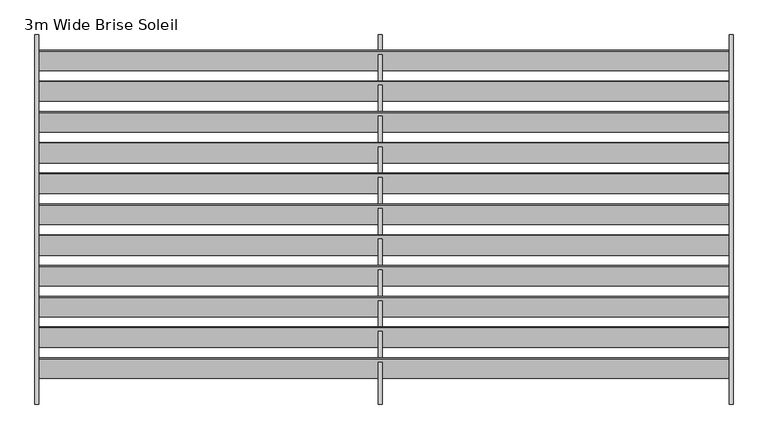
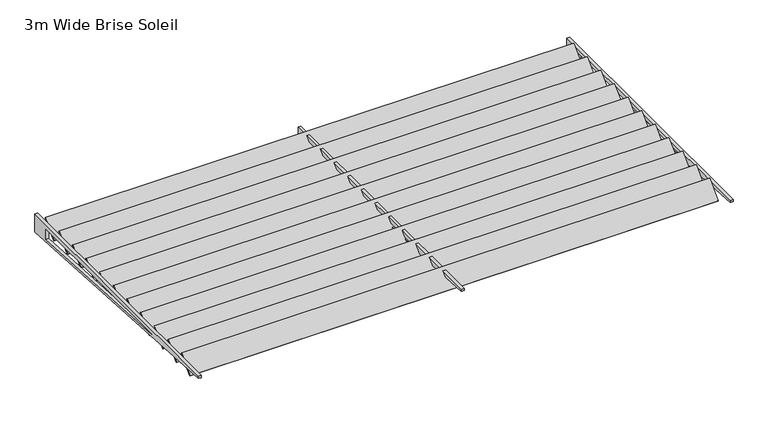
"""IFC4 building model written with IfcOpenShell, lengths in millimetres: railing geometry, 3m Wide Brise Soleil."""

import ifcopenshell
import ifcopenshell.guid

model = None  # the IFC model being written
_history = None  # IfcOwnerHistory: only IFC2X3 demands one
_inside = {}  # id of a spatial element -> (the spatial element, [elements in it])
_under = {}  # id of a project, library or spatial element -> (it, [spatial elements below it])
_declared = {}  # id of a project -> (the project, [libraries it declares])
_typed = {}  # id of a type object -> (the type object, [elements of that type])
_made_of = {}  # id of a material, layer set ... -> (it, [elements and type objects made of it])


def new_model(schema):
    """Start an empty IFC model of exactly this schema.

    Asked for "IFC4X3", IfcOpenShell would pick the latest addendum, in which some entities
    have other attributes; the version numbers below select the first issue.
    IFC2X3 requires an IfcOwnerHistory on every rooted entity: one is made here for all.
    """
    global model, _history
    if schema == "IFC4X3":
        model = ifcopenshell.file(schema_version=(4, 3, 0, 0))
    else:
        model = ifcopenshell.file(schema=schema)
    _inside.clear()
    _under.clear()
    _declared.clear()
    _typed.clear()
    _made_of.clear()
    _history = None
    if model.schema == "IFC2X3":
        org = make("IfcOrganization", Name="unknown")
        user = make(
            "IfcPersonAndOrganization",
            ThePerson=make("IfcPerson", FamilyName="unknown"),
            TheOrganization=org,
        )
        app = make(
            "IfcApplication",
            ApplicationDeveloper=org,
            Version="unknown",
            ApplicationFullName="unknown",
            ApplicationIdentifier="unknown",
        )
        _history = make(
            "IfcOwnerHistory",
            OwningUser=user,
            OwningApplication=app,
            ChangeAction="ADDED",
            CreationDate=0,
        )
    return model


def make(cls, **values):
    """One entity of the class cls with the attributes given. An attribute that is None is left unset."""
    return model.create_entity(
        cls, **{name: value for name, value in values.items() if value is not None}
    )


def rooted(cls, **values):
    """An entity with a GlobalId (a new one), such as an element, a storey or a relation."""
    return make(cls, GlobalId=ifcopenshell.guid.new(), OwnerHistory=_history, **values)


def si_unit(unit_type, name, prefix=None):
    """IfcSIUnit, for example si_unit("LENGTHUNIT", "METRE", prefix="MILLI")."""
    return make("IfcSIUnit", UnitType=unit_type, Prefix=prefix, Name=name)


def assignment(units):
    """IfcUnitAssignment: the units of a project."""
    return None if units is None else make("IfcUnitAssignment", Units=units)


def point(xyz):
    """IfcCartesianPoint."""
    return None if xyz is None else make("IfcCartesianPoint", Coordinates=xyz)


def direction(xyz):
    """IfcDirection."""
    return None if xyz is None else make("IfcDirection", DirectionRatios=xyz)


def frame(location, z_axis=None, x_axis=None):
    """IfcAxis2Placement3D, a coordinate frame: its origin and axes. An axis left out is left unset."""
    return make(
        "IfcAxis2Placement3D",
        Location=point(location),
        Axis=direction(z_axis),
        RefDirection=direction(x_axis),
    )


def origin():
    """The frame at (0, 0, 0) with its axes left unset."""
    return frame((0.0, 0.0, 0.0))


def place(relative_to, where):
    """IfcLocalPlacement: puts the frame where relative to a parent placement (None: the world)."""
    return make(
        "IfcLocalPlacement", PlacementRelTo=relative_to, RelativePlacement=where
    )


def context(
    kind, dimensions, precision=None, world=None, true_north=None, identifier=None
):
    """IfcGeometricRepresentationContext, for example the 3D "Model" context."""
    return make(
        "IfcGeometricRepresentationContext",
        ContextIdentifier=identifier,
        ContextType=kind,
        CoordinateSpaceDimension=dimensions,
        Precision=precision,
        WorldCoordinateSystem=world,
        TrueNorth=true_north,
    )


def project(units=None, contexts=None):
    """IfcProject with its units and contexts."""
    return rooted(
        "IfcProject",
        Name="project",
        RepresentationContexts=contexts,
        UnitsInContext=assignment(units),
    )


def spatial(cls, under=None, at=None, **own):
    """A site, building, storey or space (cls), placed at a placement, below another one or the project."""
    s = rooted(cls, ObjectPlacement=at, **own)
    if under is not None:
        _under.setdefault(under.id(), (under, []))[1].append(s)
    return s


def polyline(points):
    """IfcPolyline through the points."""
    return make("IfcPolyline", Points=[point(p) for p in points])


def outline(outer, holes=None, kind="AREA"):
    """IfcArbitraryClosedProfileDef: a profile drawn as a closed curve; with holes, ...WithVoids."""
    if holes is None:
        return make("IfcArbitraryClosedProfileDef", ProfileType=kind, OuterCurve=outer)
    return make(
        "IfcArbitraryProfileDefWithVoids",
        ProfileType=kind,
        OuterCurve=outer,
        InnerCurves=holes,
    )


def extrude(swept, where, along, depth):
    """IfcExtrudedAreaSolid: the profile swept, set in the frame where, extruded along a direction by depth."""
    return make(
        "IfcExtrudedAreaSolid",
        SweptArea=swept,
        Position=where,
        ExtrudedDirection=direction(along),
        Depth=depth,
    )


def shape(context_of_items, identifier, shape_type, items):
    """IfcShapeRepresentation: the items that make up one representation, for example the "Body"."""
    return make(
        "IfcShapeRepresentation",
        ContextOfItems=context_of_items,
        RepresentationIdentifier=identifier,
        RepresentationType=shape_type,
        Items=items,
    )


def source(mapping_origin, context_of_items, identifier, shape_type, items):
    """IfcRepresentationMap: a shape defined once, which mapped items show again and again."""
    return make(
        "IfcRepresentationMap",
        MappingOrigin=mapping_origin,
        MappedRepresentation=shape(context_of_items, identifier, shape_type, items),
    )


def transform(
    local_origin,
    x_axis=None,
    y_axis=None,
    z_axis=None,
    scale=None,
    scale2=None,
    scale3=None,
    uniform=True,
):
    """IfcCartesianTransformationOperator3D, or its non-uniform kind. x_axis, y_axis, z_axis: its Axis1, 2, 3."""
    if uniform:
        return make(
            "IfcCartesianTransformationOperator3D",
            Axis1=direction(x_axis),
            Axis2=direction(y_axis),
            LocalOrigin=point(local_origin),
            Scale=scale,
            Axis3=direction(z_axis),
        )
    return make(
        "IfcCartesianTransformationOperator3DnonUniform",
        Axis1=direction(x_axis),
        Axis2=direction(y_axis),
        LocalOrigin=point(local_origin),
        Scale=scale,
        Axis3=direction(z_axis),
        Scale2=scale2,
        Scale3=scale3,
    )


def mapped(mapping_source, mapping_target):
    """IfcMappedItem: shows the shape of a source again, moved by a transform."""
    return make(
        "IfcMappedItem", MappingSource=mapping_source, MappingTarget=mapping_target
    )


def made_of(thing, what):
    """Note that an element or type object is made of a material, layer set ...; save() writes the relation."""
    if what is not None:
        _made_of.setdefault(what.id(), (what, []))[1].append(thing)
    return thing


def element(
    cls,
    number,
    at=None,
    inside=None,
    cuts=None,
    type_object=None,
    material=None,
    context=None,
    identifier="Body",
    shape_type=None,
    held_by="IfcProductDefinitionShape",
    body=None,
    shapes=None,
    **own,
):
    """One element of the class cls, such as IfcWall. Its Tag is "e" and its number.

    at: its placement. inside: the storey or other place that contains it. cuts: it is an
    opening in that element (IfcRelVoidsElement). A single representation is given by context,
    identifier, shape_type and body (its items); several are given by shapes. held_by: the class
    of the entity that holds the representations. save() writes the other relations.
    """
    e = rooted(cls, Tag="e%d" % number, ObjectPlacement=at, **own)
    if body is not None:
        shapes = [shape(context, identifier, shape_type, body)]
    if shapes is not None:
        e.Representation = make(held_by, Representations=shapes)
    if inside is not None:
        _inside.setdefault(inside.id(), (inside, []))[1].append(e)
    if cuts is not None:
        rooted(
            "IfcRelVoidsElement", RelatingBuildingElement=cuts, RelatedOpeningElement=e
        )
    if type_object is not None:
        _typed.setdefault(type_object.id(), (type_object, []))[1].append(e)
    return made_of(e, material)


def aggregate(whole, parts):
    """IfcRelAggregates: a whole, such as a stair, and the parts it consists of."""
    return rooted("IfcRelAggregates", RelatingObject=whole, RelatedObjects=parts)


def save(model, path):
    """Write the relations noted so far, then the file.

    IfcRelAggregates (storeys below a building ...), IfcRelContainedInSpatialStructure (elements
    in a storey), IfcRelDefinesByType, IfcRelAssociatesMaterial and IfcRelDeclares: one each for
    every whole, place, type object, material and project.
    """
    for whole, parts in _under.values():
        aggregate(whole, parts)
    for where, things in _inside.values():
        rooted(
            "IfcRelContainedInSpatialStructure",
            RelatedElements=things,
            RelatingStructure=where,
        )
    for kind, things in _typed.values():
        rooted("IfcRelDefinesByType", RelatedObjects=things, RelatingType=kind)
    for what, things in _made_of.values():
        rooted("IfcRelAssociatesMaterial", RelatedObjects=things, RelatingMaterial=what)
    for by, libraries in _declared.values():
        rooted("IfcRelDeclares", RelatingContext=by, RelatedDefinitions=libraries)
    model.write(path)


def railing_3m_wide_brise_soleil_33fbfd34(model_context):
    return source(origin(), model_context, "Body", "SweptSolid", [
        extrude(outline(polyline([(0.0, -10.0), (0.0, 0.0), (5596.1382149, 0.0), (5596.1382149, -10.0), (0.0, -10.0)])), frame((4426.8341559, -31953.9338219, -139.965894), z_axis=(0.0, 0.7071067811931987, 0.7071067811798963), x_axis=(1.0, 0.0, 0.0)), (0.0, 0.0, 1.0), 225.0),
        extrude(outline(polyline([(0.0, -10.0), (0.0, 0.0), (5596.1382149, 0.0), (5596.1382149, -10.0), (0.0, -10.0)])), frame((4426.8341559, -31703.9338219, -139.965894), z_axis=(0.0, 0.7071067811931987, 0.7071067811798963), x_axis=(1.0, 0.0, 0.0)), (0.0, 0.0, 1.0), 225.0),
        extrude(outline(polyline([(0.0, -10.0), (0.0, 0.0), (5596.1382149, 0.0), (5596.1382149, -10.0), (0.0, -10.0)])), frame((4426.8341559, -31453.9338219, -139.965894), z_axis=(0.0, 0.7071067811931987, 0.7071067811798963), x_axis=(1.0, 0.0, 0.0)), (0.0, 0.0, 1.0), 225.0),
        extrude(outline(polyline([(0.0, -10.0), (0.0, 0.0), (5596.1382149, 0.0), (5596.1382149, -10.0), (0.0, -10.0)])), frame((4426.8341559, -31203.9338219, -139.965894), z_axis=(0.0, 0.7071067811931987, 0.7071067811798963), x_axis=(1.0, 0.0, 0.0)), (0.0, 0.0, 1.0), 225.0),
        extrude(outline(polyline([(0.0, -10.0), (0.0, 0.0), (5596.1382149, 0.0), (5596.1382149, -10.0), (0.0, -10.0)])), frame((4426.8341559, -30953.9338219, -139.965894), z_axis=(0.0, 0.7071067811931987, 0.7071067811798963), x_axis=(1.0, 0.0, 0.0)), (0.0, 0.0, 1.0), 225.0),
        extrude(outline(polyline([(0.0, -10.0), (0.0, 0.0), (5596.1382149, 0.0), (5596.1382149, -10.0), (0.0, -10.0)])), frame((4426.8341559, -30703.9338219, -139.965894), z_axis=(0.0, 0.7071067811931987, 0.7071067811798963), x_axis=(1.0, 0.0, 0.0)), (0.0, 0.0, 1.0), 225.0),
        extrude(outline(polyline([(0.0, -10.0), (0.0, 0.0), (5596.1382149, 0.0), (5596.1382149, -10.0), (0.0, -10.0)])), frame((4426.8341559, -30453.9338219, -139.965894), z_axis=(0.0, 0.7071067811931987, 0.7071067811798963), x_axis=(1.0, 0.0, 0.0)), (0.0, 0.0, 1.0), 225.0),
        extrude(outline(polyline([(0.0, -10.0), (0.0, 0.0), (5596.1382149, 0.0), (5596.1382149, -10.0), (0.0, -10.0)])), frame((4426.8341559, -30203.9338219, -139.965894), z_axis=(0.0, 0.7071067811931987, 0.7071067811798963), x_axis=(1.0, 0.0, 0.0)), (0.0, 0.0, 1.0), 225.0),
        extrude(outline(polyline([(0.0, -10.0), (0.0, 0.0), (5596.1382149, 0.0), (5596.1382149, -10.0), (0.0, -10.0)])), frame((4426.8341559, -29953.9338219, -139.965894), z_axis=(0.0, 0.7071067811931987, 0.7071067811798963), x_axis=(1.0, 0.0, 0.0)), (0.0, 0.0, 1.0), 225.0),
        extrude(outline(polyline([(0.0, -10.0), (0.0, 0.0), (5596.1382149, 0.0), (5596.1382149, -10.0), (0.0, -10.0)])), frame((4426.8341559, -29703.9338219, -139.965894), z_axis=(0.0, 0.7071067811931987, 0.7071067811798963), x_axis=(1.0, 0.0, 0.0)), (0.0, 0.0, 1.0), 225.0),
        extrude(outline(polyline([(0.0, -10.0), (0.0, 0.0), (5596.1382149, 0.0), (5596.1382149, -10.0), (0.0, -10.0)])), frame((4426.8341559, -29453.9338219, -139.965894), z_axis=(0.0, 0.7071067811931987, 0.7071067811798963), x_axis=(1.0, 0.0, 0.0)), (0.0, 0.0, 1.0), 225.0),
        extrude(outline(polyline([(-32170.7240302, 0.0), (-29170.7240302, 0.0), (-29170.7240302, -200.0), (-32170.7240302, -25.0), (-32170.7240302, 0.0)]), holes=[polyline([(-29370.7240302, -163.2908347), (-29370.7240302, -50.0), (-31312.8526257, -50.0), (-29370.7240302, -163.2908347)])]), frame((7179.0414006, 0.0, 0.0), z_axis=(1.0, 0.0, 0.0), x_axis=(0.0, 1.0, 0.0)), (0.0, 0.0, 1.0), 30.0),
        extrude(outline(polyline([(-32170.7240302, 0.0), (-29170.7240302, 0.0), (-29170.7240302, -200.0), (-32170.7240302, -25.0), (-32170.7240302, 0.0)]), holes=[polyline([(-29370.7240302, -163.2908347), (-29370.7240302, -50.0), (-31312.8526257, -50.0), (-29370.7240302, -163.2908347)])]), frame((10027.110508, 0.0, 0.0), z_axis=(1.0, 0.0, 0.0), x_axis=(0.0, 1.0, 0.0)), (0.0, 0.0, 1.0), 30.0),
        extrude(outline(polyline([(-32170.7240302, 0.0), (-29170.7240302, 0.0), (-29170.7240302, -200.0), (-32170.7240302, -25.0), (-32170.7240302, 0.0)]), holes=[polyline([(-29370.7240302, -163.2908347), (-29370.7240302, -50.0), (-31312.8526257, -50.0), (-29370.7240302, -163.2908347)])]), frame((4390.9722932, 0.0, 0.0), z_axis=(1.0, 0.0, 0.0), x_axis=(0.0, 1.0, 0.0)), (0.0, 0.0, 1.0), 30.0),
    ])


if __name__ == "__main__":
    model = new_model("IFC4")
    model_context = context("Model", 3, world=origin())
    ifc_project = project(units=[si_unit("LENGTHUNIT", "METRE", prefix="MILLI")], contexts=[model_context])
    site = spatial("IfcSite", under=ifc_project)
    building = spatial("IfcBuilding", under=site)
    placement = place(None, origin())
    railing_3m_wide_brise_soleil_shape = railing_3m_wide_brise_soleil_33fbfd34(model_context)
    element("IfcRailing", 1, ObjectType="3m Wide Brise Soleil", at=placement, inside=building, context=model_context, shape_type="MappedRepresentation", body=[
        mapped(railing_3m_wide_brise_soleil_shape, transform((0.0, 0.0, 0.0), x_axis=(1.0, 0.0, 0.0), y_axis=(0.0, 1.0, 0.0), z_axis=(0.0, 0.0, 1.0))),
    ])
    save(model, "model.ifc")
